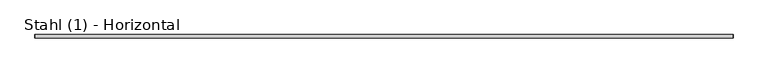
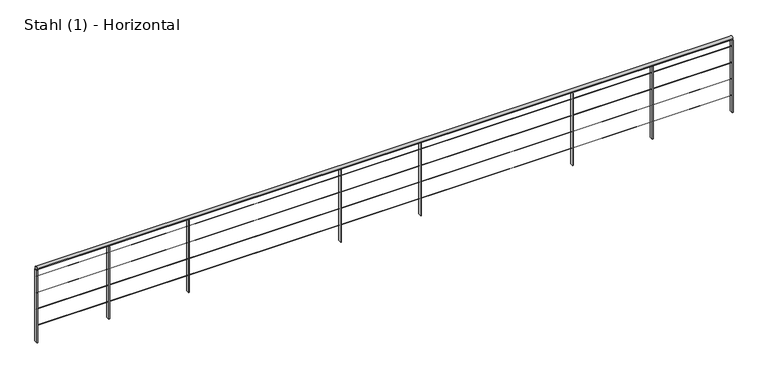
"""IFC4 building model written with IfcOpenShell, lengths in millimetres: railing geometry, Stahl (1) - Horizontal."""

import ifcopenshell
import ifcopenshell.guid

model = None  # the IFC model being written
_history = None  # IfcOwnerHistory: only IFC2X3 demands one
_inside = {}  # id of a spatial element -> (the spatial element, [elements in it])
_under = {}  # id of a project, library or spatial element -> (it, [spatial elements below it])
_declared = {}  # id of a project -> (the project, [libraries it declares])
_typed = {}  # id of a type object -> (the type object, [elements of that type])
_made_of = {}  # id of a material, layer set ... -> (it, [elements and type objects made of it])


def new_model(schema):
    """Start an empty IFC model of exactly this schema.

    Asked for "IFC4X3", IfcOpenShell would pick the latest addendum, in which some entities
    have other attributes; the version numbers below select the first issue.
    IFC2X3 requires an IfcOwnerHistory on every rooted entity: one is made here for all.
    """
    global model, _history
    if schema == "IFC4X3":
        model = ifcopenshell.file(schema_version=(4, 3, 0, 0))
    else:
        model = ifcopenshell.file(schema=schema)
    _inside.clear()
    _under.clear()
    _declared.clear()
    _typed.clear()
    _made_of.clear()
    _history = None
    if model.schema == "IFC2X3":
        org = make("IfcOrganization", Name="unknown")
        user = make(
            "IfcPersonAndOrganization",
            ThePerson=make("IfcPerson", FamilyName="unknown"),
            TheOrganization=org,
        )
        app = make(
            "IfcApplication",
            ApplicationDeveloper=org,
            Version="unknown",
            ApplicationFullName="unknown",
            ApplicationIdentifier="unknown",
        )
        _history = make(
            "IfcOwnerHistory",
            OwningUser=user,
            OwningApplication=app,
            ChangeAction="ADDED",
            CreationDate=0,
        )
    return model


def make(cls, **values):
    """One entity of the class cls with the attributes given. An attribute that is None is left unset."""
    return model.create_entity(
        cls, **{name: value for name, value in values.items() if value is not None}
    )


def rooted(cls, **values):
    """An entity with a GlobalId (a new one), such as an element, a storey or a relation."""
    return make(cls, GlobalId=ifcopenshell.guid.new(), OwnerHistory=_history, **values)


def si_unit(unit_type, name, prefix=None):
    """IfcSIUnit, for example si_unit("LENGTHUNIT", "METRE", prefix="MILLI")."""
    return make("IfcSIUnit", UnitType=unit_type, Prefix=prefix, Name=name)


def assignment(units):
    """IfcUnitAssignment: the units of a project."""
    return None if units is None else make("IfcUnitAssignment", Units=units)


def point(xyz):
    """IfcCartesianPoint."""
    return None if xyz is None else make("IfcCartesianPoint", Coordinates=xyz)


def direction(xyz):
    """IfcDirection."""
    return None if xyz is None else make("IfcDirection", DirectionRatios=xyz)


def frame(location, z_axis=None, x_axis=None):
    """IfcAxis2Placement3D, a coordinate frame: its origin and axes. An axis left out is left unset."""
    return make(
        "IfcAxis2Placement3D",
        Location=point(location),
        Axis=direction(z_axis),
        RefDirection=direction(x_axis),
    )


def frame_2d(location, x_axis=None):
    """IfcAxis2Placement2D, a coordinate frame in the plane: its origin and x axis."""
    return make(
        "IfcAxis2Placement2D", Location=point(location), RefDirection=direction(x_axis)
    )


def origin():
    """The frame at (0, 0, 0) with its axes left unset."""
    return frame((0.0, 0.0, 0.0))


def place(relative_to, where):
    """IfcLocalPlacement: puts the frame where relative to a parent placement (None: the world)."""
    return make(
        "IfcLocalPlacement", PlacementRelTo=relative_to, RelativePlacement=where
    )


def context(
    kind, dimensions, precision=None, world=None, true_north=None, identifier=None
):
    """IfcGeometricRepresentationContext, for example the 3D "Model" context."""
    return make(
        "IfcGeometricRepresentationContext",
        ContextIdentifier=identifier,
        ContextType=kind,
        CoordinateSpaceDimension=dimensions,
        Precision=precision,
        WorldCoordinateSystem=world,
        TrueNorth=true_north,
    )


def project(units=None, contexts=None):
    """IfcProject with its units and contexts."""
    return rooted(
        "IfcProject",
        Name="project",
        RepresentationContexts=contexts,
        UnitsInContext=assignment(units),
    )


def spatial(cls, under=None, at=None, **own):
    """A site, building, storey or space (cls), placed at a placement, below another one or the project."""
    s = rooted(cls, ObjectPlacement=at, **own)
    if under is not None:
        _under.setdefault(under.id(), (under, []))[1].append(s)
    return s


def polyline(points):
    """IfcPolyline through the points."""
    return make("IfcPolyline", Points=[point(p) for p in points])


def circle_curve(where, radius):
    """IfcCircle in the frame where."""
    return make("IfcCircle", Position=where, Radius=radius)


def trimmed(basis, trim1, trim2, sense, master):
    """IfcTrimmedCurve: the piece of a basis curve between two trims."""
    return make(
        "IfcTrimmedCurve",
        BasisCurve=basis,
        Trim1=trim1,
        Trim2=trim2,
        SenseAgreement=sense,
        MasterRepresentation=master,
    )


def segment(curve, same_sense, transition):
    """IfcCompositeCurveSegment."""
    return make(
        "IfcCompositeCurveSegment",
        Transition=transition,
        SameSense=same_sense,
        ParentCurve=curve,
    )


def composite_curve(segments, self_intersect=None):
    """IfcCompositeCurve: segments joined end to end."""
    return make("IfcCompositeCurve", Segments=segments, SelfIntersect=self_intersect)


def outline(outer, holes=None, kind="AREA"):
    """IfcArbitraryClosedProfileDef: a profile drawn as a closed curve; with holes, ...WithVoids."""
    if holes is None:
        return make("IfcArbitraryClosedProfileDef", ProfileType=kind, OuterCurve=outer)
    return make(
        "IfcArbitraryProfileDefWithVoids",
        ProfileType=kind,
        OuterCurve=outer,
        InnerCurves=holes,
    )


def extrude(swept, where, along, depth):
    """IfcExtrudedAreaSolid: the profile swept, set in the frame where, extruded along a direction by depth."""
    return make(
        "IfcExtrudedAreaSolid",
        SweptArea=swept,
        Position=where,
        ExtrudedDirection=direction(along),
        Depth=depth,
    )


def shape(context_of_items, identifier, shape_type, items):
    """IfcShapeRepresentation: the items that make up one representation, for example the "Body"."""
    return make(
        "IfcShapeRepresentation",
        ContextOfItems=context_of_items,
        RepresentationIdentifier=identifier,
        RepresentationType=shape_type,
        Items=items,
    )


def source(mapping_origin, context_of_items, identifier, shape_type, items):
    """IfcRepresentationMap: a shape defined once, which mapped items show again and again."""
    return make(
        "IfcRepresentationMap",
        MappingOrigin=mapping_origin,
        MappedRepresentation=shape(context_of_items, identifier, shape_type, items),
    )


def transform(
    local_origin,
    x_axis=None,
    y_axis=None,
    z_axis=None,
    scale=None,
    scale2=None,
    scale3=None,
    uniform=True,
):
    """IfcCartesianTransformationOperator3D, or its non-uniform kind. x_axis, y_axis, z_axis: its Axis1, 2, 3."""
    if uniform:
        return make(
            "IfcCartesianTransformationOperator3D",
            Axis1=direction(x_axis),
            Axis2=direction(y_axis),
            LocalOrigin=point(local_origin),
            Scale=scale,
            Axis3=direction(z_axis),
        )
    return make(
        "IfcCartesianTransformationOperator3DnonUniform",
        Axis1=direction(x_axis),
        Axis2=direction(y_axis),
        LocalOrigin=point(local_origin),
        Scale=scale,
        Axis3=direction(z_axis),
        Scale2=scale2,
        Scale3=scale3,
    )


def mapped(mapping_source, mapping_target):
    """IfcMappedItem: shows the shape of a source again, moved by a transform."""
    return make(
        "IfcMappedItem", MappingSource=mapping_source, MappingTarget=mapping_target
    )


def made_of(thing, what):
    """Note that an element or type object is made of a material, layer set ...; save() writes the relation."""
    if what is not None:
        _made_of.setdefault(what.id(), (what, []))[1].append(thing)
    return thing


def element(
    cls,
    number,
    at=None,
    inside=None,
    cuts=None,
    type_object=None,
    material=None,
    context=None,
    identifier="Body",
    shape_type=None,
    held_by="IfcProductDefinitionShape",
    body=None,
    shapes=None,
    **own,
):
    """One element of the class cls, such as IfcWall. Its Tag is "e" and its number.

    at: its placement. inside: the storey or other place that contains it. cuts: it is an
    opening in that element (IfcRelVoidsElement). A single representation is given by context,
    identifier, shape_type and body (its items); several are given by shapes. held_by: the class
    of the entity that holds the representations. save() writes the other relations.
    """
    e = rooted(cls, Tag="e%d" % number, ObjectPlacement=at, **own)
    if body is not None:
        shapes = [shape(context, identifier, shape_type, body)]
    if shapes is not None:
        e.Representation = make(held_by, Representations=shapes)
    if inside is not None:
        _inside.setdefault(inside.id(), (inside, []))[1].append(e)
    if cuts is not None:
        rooted(
            "IfcRelVoidsElement", RelatingBuildingElement=cuts, RelatedOpeningElement=e
        )
    if type_object is not None:
        _typed.setdefault(type_object.id(), (type_object, []))[1].append(e)
    return made_of(e, material)


def aggregate(whole, parts):
    """IfcRelAggregates: a whole, such as a stair, and the parts it consists of."""
    return rooted("IfcRelAggregates", RelatingObject=whole, RelatedObjects=parts)


def save(model, path):
    """Write the relations noted so far, then the file.

    IfcRelAggregates (storeys below a building ...), IfcRelContainedInSpatialStructure (elements
    in a storey), IfcRelDefinesByType, IfcRelAssociatesMaterial and IfcRelDeclares: one each for
    every whole, place, type object, material and project.
    """
    for whole, parts in _under.values():
        aggregate(whole, parts)
    for where, things in _inside.values():
        rooted(
            "IfcRelContainedInSpatialStructure",
            RelatedElements=things,
            RelatingStructure=where,
        )
    for kind, things in _typed.values():
        rooted("IfcRelDefinesByType", RelatedObjects=things, RelatingType=kind)
    for what, things in _made_of.values():
        rooted("IfcRelAssociatesMaterial", RelatedObjects=things, RelatingMaterial=what)
    for by, libraries in _declared.values():
        rooted("IfcRelDeclares", RelatingContext=by, RelatedDefinitions=libraries)
    model.write(path)


def stahl_1_horizontal_e4737044(model_context):
    return source(origin(), model_context, "Body", "SweptSolid", [
        extrude(outline(composite_curve([segment(trimmed(circle_curve(frame_2d((6630.5303268, 4700.0)), 20.0), [point((6650.5303268, 4700.0))], [point((6610.5303268, 4700.0))], False, "CARTESIAN"), True, "CONTINUOUS"), segment(trimmed(circle_curve(frame_2d((6630.5303268, 4700.0)), 20.0), [point((6610.5303268, 4700.0))], [point((6650.5303268, 4700.0))], False, "CARTESIAN"), True, "CONTINUOUS")], self_intersect=False)), frame((-13459.4078582, 0.0, 0.0), z_axis=(1.0, 0.0, 0.0), x_axis=(0.0, 1.0, 0.0)), (0.0, 0.0, 1.0), 8017.8671634),
        extrude(outline(composite_curve([segment(trimmed(circle_curve(frame_2d((6630.5303268, 4598.5)), 1.5), [point((6632.0303268, 4598.5))], [point((6629.0303268, 4598.5))], False, "CARTESIAN"), True, "CONTINUOUS"), segment(trimmed(circle_curve(frame_2d((6630.5303268, 4598.5)), 1.5), [point((6629.0303268, 4598.5))], [point((6632.0303268, 4598.5))], False, "CARTESIAN"), True, "CONTINUOUS")], self_intersect=False)), frame((-13459.4078582, 0.0, 0.0), z_axis=(1.0, 0.0, 0.0), x_axis=(0.0, 1.0, 0.0)), (0.0, 0.0, 1.0), 8017.8671634),
        extrude(outline(composite_curve([segment(trimmed(circle_curve(frame_2d((6630.5303268, 4398.5)), 1.5), [point((6632.0303268, 4398.5))], [point((6629.0303268, 4398.5))], False, "CARTESIAN"), True, "CONTINUOUS"), segment(trimmed(circle_curve(frame_2d((6630.5303268, 4398.5)), 1.5), [point((6629.0303268, 4398.5))], [point((6632.0303268, 4398.5))], False, "CARTESIAN"), True, "CONTINUOUS")], self_intersect=False)), frame((-13459.4078582, 0.0, 0.0), z_axis=(1.0, 0.0, 0.0), x_axis=(0.0, 1.0, 0.0)), (0.0, 0.0, 1.0), 8017.8671634),
        extrude(outline(composite_curve([segment(trimmed(circle_curve(frame_2d((6630.5303268, 4198.5)), 1.5), [point((6632.0303268, 4198.5))], [point((6629.0303268, 4198.5))], False, "CARTESIAN"), True, "CONTINUOUS"), segment(trimmed(circle_curve(frame_2d((6630.5303268, 4198.5)), 1.5), [point((6629.0303268, 4198.5))], [point((6632.0303268, 4198.5))], False, "CARTESIAN"), True, "CONTINUOUS")], self_intersect=False)), frame((-13459.4078582, 0.0, 0.0), z_axis=(1.0, 0.0, 0.0), x_axis=(0.0, 1.0, 0.0)), (0.0, 0.0, 1.0), 8017.8671634),
        extrude(outline(composite_curve([segment(trimmed(circle_curve(frame_2d((6630.5303268, 3998.5)), 1.5), [point((6632.0303268, 3998.5))], [point((6629.0303268, 3998.5))], False, "CARTESIAN"), True, "CONTINUOUS"), segment(trimmed(circle_curve(frame_2d((6630.5303268, 3998.5)), 1.5), [point((6629.0303268, 3998.5))], [point((6632.0303268, 3998.5))], False, "CARTESIAN"), True, "CONTINUOUS")], self_intersect=False)), frame((-13459.4078582, 0.0, 0.0), z_axis=(1.0, 0.0, 0.0), x_axis=(0.0, 1.0, 0.0)), (0.0, 0.0, 1.0), 8017.8671634),
        extrude(outline(polyline([(-12625.973324, 6610.5303268), (-12633.973324, 6610.5303268), (-12633.973324, 6650.5303268), (-12625.973324, 6650.5303268), (-12625.973324, 6610.5303268)])), frame((0.0, 0.0, 3800.0), z_axis=(0.0, 0.0, 1.0), x_axis=(1.0, 0.0, 0.0)), (0.0, 0.0, 1.0), 880.0),
        extrude(outline(polyline([(-11704.3793972, 6610.5303268), (-11712.3793972, 6610.5303268), (-11712.3793972, 6650.5303268), (-11704.3793972, 6650.5303268), (-11704.3793972, 6610.5303268)])), frame((0.0, 0.0, 3800.0), z_axis=(0.0, 0.0, 1.0), x_axis=(1.0, 0.0, 0.0)), (0.0, 0.0, 1.0), 880.0),
        extrude(outline(polyline([(-9953.3509362, 6610.5303268), (-9961.3509362, 6610.5303268), (-9961.3509362, 6650.5303268), (-9953.3509362, 6650.5303268), (-9953.3509362, 6610.5303268)])), frame((0.0, 0.0, 3800.0), z_axis=(0.0, 0.0, 1.0), x_axis=(1.0, 0.0, 0.0)), (0.0, 0.0, 1.0), 880.0),
        extrude(outline(polyline([(-9031.7570094, 6610.5303268), (-9039.7570094, 6610.5303268), (-9039.7570094, 6650.5303268), (-9031.7570094, 6650.5303268), (-9031.7570094, 6610.5303268)])), frame((0.0, 0.0, 3800.0), z_axis=(0.0, 0.0, 1.0), x_axis=(1.0, 0.0, 0.0)), (0.0, 0.0, 1.0), 880.0),
        extrude(outline(polyline([(-7280.7285485, 6610.5303268), (-7288.7285485, 6610.5303268), (-7288.7285485, 6650.5303268), (-7280.7285485, 6650.5303268), (-7280.7285485, 6610.5303268)])), frame((0.0, 0.0, 3800.0), z_axis=(0.0, 0.0, 1.0), x_axis=(1.0, 0.0, 0.0)), (0.0, 0.0, 1.0), 880.0),
        extrude(outline(polyline([(-6359.1346216, 6610.5303268), (-6367.1346216, 6610.5303268), (-6367.1346216, 6650.5303268), (-6359.1346216, 6650.5303268), (-6359.1346216, 6610.5303268)])), frame((0.0, 0.0, 3800.0), z_axis=(0.0, 0.0, 1.0), x_axis=(1.0, 0.0, 0.0)), (0.0, 0.0, 1.0), 880.0),
        extrude(outline(polyline([(-13455.4078582, 6610.5303268), (-13463.4078582, 6610.5303268), (-13463.4078582, 6650.5303268), (-13455.4078582, 6650.5303268), (-13455.4078582, 6610.5303268)])), frame((0.0, 0.0, 3800.0), z_axis=(0.0, 0.0, 1.0), x_axis=(1.0, 0.0, 0.0)), (0.0, 0.0, 1.0), 880.0),
        extrude(outline(polyline([(-5437.5406948, 6610.5303268), (-5445.5406948, 6610.5303268), (-5445.5406948, 6650.5303268), (-5437.5406948, 6650.5303268), (-5437.5406948, 6610.5303268)])), frame((0.0, 0.0, 3800.0), z_axis=(0.0, 0.0, 1.0), x_axis=(1.0, 0.0, 0.0)), (0.0, 0.0, 1.0), 880.0),
    ])


if __name__ == "__main__":
    model = new_model("IFC4")
    model_context = context("Model", 3, world=origin())
    ifc_project = project(units=[si_unit("LENGTHUNIT", "METRE", prefix="MILLI")], contexts=[model_context])
    site = spatial("IfcSite", under=ifc_project)
    building = spatial("IfcBuilding", under=site)
    placement = place(None, origin())
    stahl_1_horizontal_shape = stahl_1_horizontal_e4737044(model_context)
    element("IfcRailing", 1, ObjectType="Stahl (1) - Horizontal", at=placement, inside=building, context=model_context, shape_type="MappedRepresentation", body=[
        mapped(stahl_1_horizontal_shape, transform((0.0, 0.0, 0.0), x_axis=(1.0, 0.0, 0.0), y_axis=(0.0, 1.0, 0.0), z_axis=(0.0, 0.0, 1.0))),
    ])
    save(model, "model.ifc")
